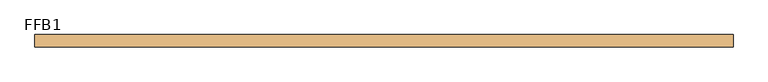
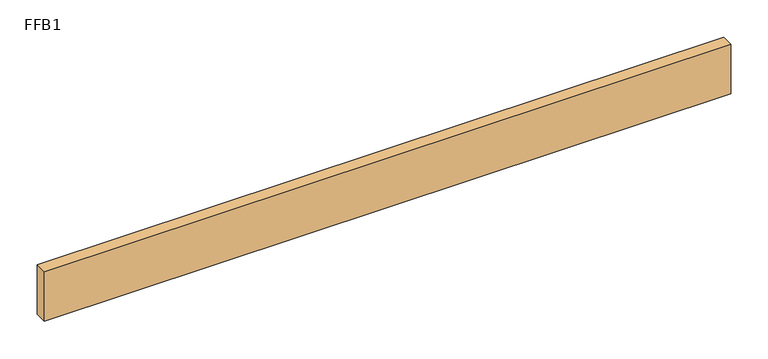
"""IFC4 building model written with IfcOpenShell, lengths in millimetres: door geometry, FFB1."""

from ifc_helpers import new_model, si_unit, origin, origin_with_axes, place, context, project, spatial, polyline, outline, extrude, source, transform, mapped, element, save


def ffb1_699eaa67(model_context):
    return source(origin(), model_context, "Body", "SweptSolid", [
        extrude(outline(polyline([(531.5249999, 0.0), (-531.5249999, 0.0), (-531.5249999, 19.05), (531.5249999, 19.05), (531.5249999, 0.0)])), origin_with_axes(), (0.0, 0.0, 1.0), 81.28),
    ])


if __name__ == "__main__":
    model = new_model("IFC4")
    model_context = context("Model", 3, world=origin())
    ifc_project = project(units=[si_unit("LENGTHUNIT", "METRE", prefix="MILLI")], contexts=[model_context])
    site = spatial("IfcSite", under=ifc_project)
    building = spatial("IfcBuilding", under=site)
    placement = place(None, origin())
    ffb1_shape = ffb1_699eaa67(model_context)
    element("IfcDoor", 1, ObjectType="FFB1", at=placement, inside=building, context=model_context, shape_type="MappedRepresentation", body=[
        mapped(ffb1_shape, transform((0.0, 0.0, 0.0), x_axis=(1.0, 0.0, 0.0), y_axis=(0.0, 1.0, 0.0), z_axis=(0.0, 0.0, 1.0))),
    ])
    save(model, "model.ifc")
